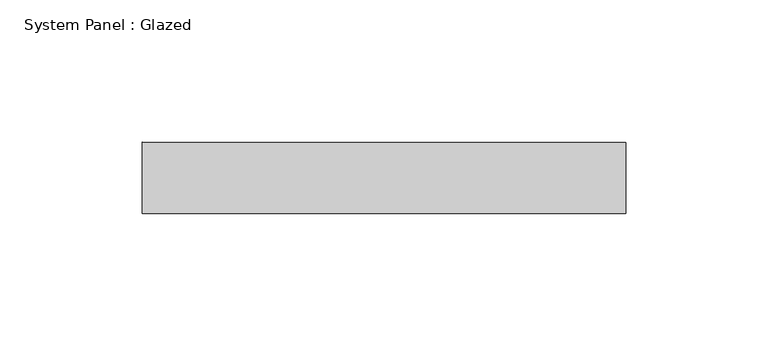
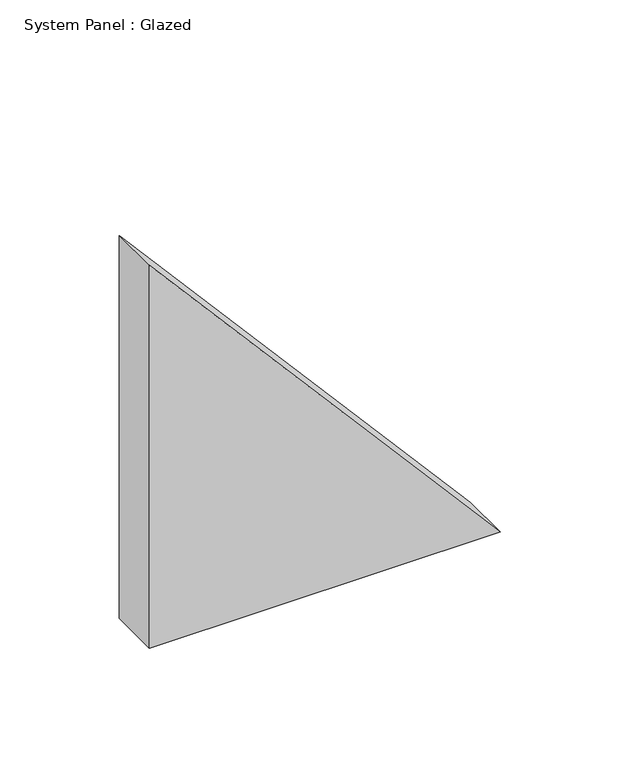
"""IFC4 building model written with IfcOpenShell, lengths in millimetres: plate geometry, System Panel : Glazed."""

from ifc_helpers import new_model, si_unit, frame, origin, place, context, project, spatial, polyline, outline, extrude, source, transform, mapped, element, save


def system_panel_glazed_67cccbee(model_context):
    return source(origin(), model_context, "Body", "SweptSolid", [
        extrude(outline(polyline([(0.0, -84.7579681), (0.0, 84.7579681), (195.7401427, -84.7579681), (0.0, -84.7579681)])), frame((0.0, 24.5, 0.0), z_axis=(0.0, 1.0, 0.0), x_axis=(0.0, 0.0, 1.0)), (0.0, 0.0, 1.0), 25.0),
    ])


if __name__ == "__main__":
    model = new_model("IFC4")
    model_context = context("Model", 3, world=origin())
    ifc_project = project(units=[si_unit("LENGTHUNIT", "METRE", prefix="MILLI")], contexts=[model_context])
    site = spatial("IfcSite", under=ifc_project)
    building = spatial("IfcBuilding", under=site)
    placement = place(None, origin())
    system_panel_glazed_shape = system_panel_glazed_67cccbee(model_context)
    element("IfcPlate", 1, ObjectType="System Panel : Glazed", at=placement, inside=building, context=model_context, shape_type="MappedRepresentation", body=[
        mapped(system_panel_glazed_shape, transform((0.0, 0.0, 0.0), x_axis=(1.0, 0.0, 0.0), y_axis=(0.0, 1.0, 0.0), z_axis=(0.0, 0.0, 1.0))),
    ])
    save(model, "model.ifc")
